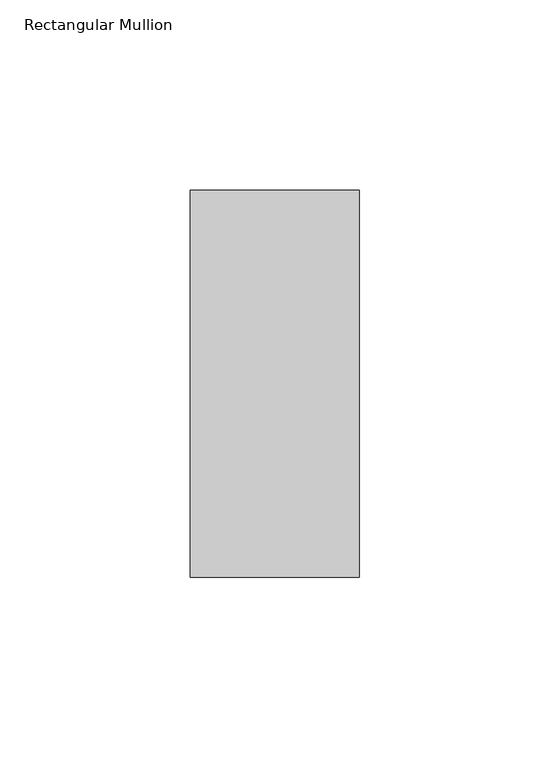
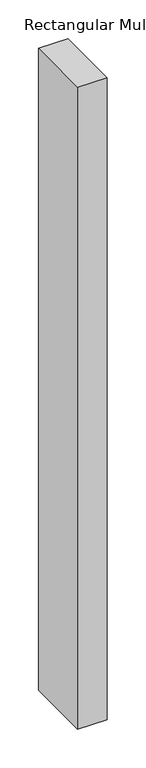
"""IFC4 building model written with IfcOpenShell, lengths in millimetres: member geometry, Rectangular Mullion."""

from ifc_helpers import new_model, si_unit, frame, origin, place, context, project, spatial, polyline, outline, extrude, source, transform, mapped, element, save


def rectangular_mullion_c825c720(model_context):
    return source(origin(), model_context, "Body", "SweptSolid", [
        extrude(outline(polyline([(26.5594027, 50.8), (26.5594027, -50.8), (-17.8905973, -50.8), (-17.8905973, 50.8), (26.5594027, 50.8)])), frame((0.0, 0.0, -1016.0), z_axis=(0.0, 0.0, 1.0), x_axis=(1.0, 0.0, 0.0)), (0.0, 0.0, 1.0), 1016.0),
    ])


if __name__ == "__main__":
    model = new_model("IFC4")
    model_context = context("Model", 3, world=origin())
    ifc_project = project(units=[si_unit("LENGTHUNIT", "METRE", prefix="MILLI")], contexts=[model_context])
    site = spatial("IfcSite", under=ifc_project)
    building = spatial("IfcBuilding", under=site)
    placement = place(None, origin())
    rectangular_mullion_shape = rectangular_mullion_c825c720(model_context)
    element("IfcMember", 1, ObjectType="Rectangular Mullion", at=placement, inside=building, context=model_context, shape_type="MappedRepresentation", body=[
        mapped(rectangular_mullion_shape, transform((0.0, 0.0, 0.0), x_axis=(1.0, 0.0, 0.0), y_axis=(0.0, 1.0, 0.0), z_axis=(0.0, 0.0, 1.0))),
    ])
    save(model, "model.ifc")
